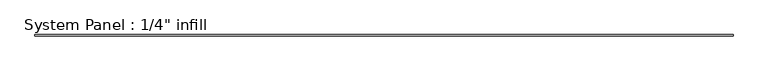
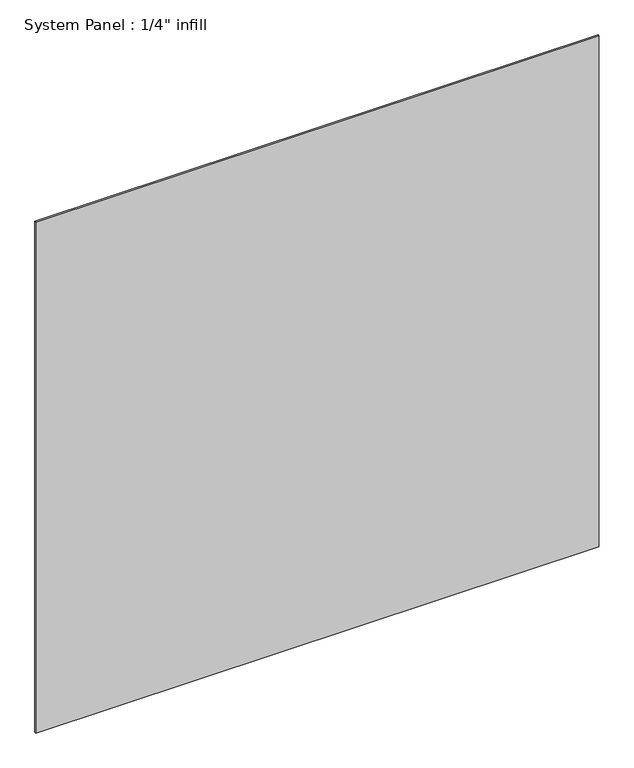
"""IFC4 building model written with IfcOpenShell, lengths in millimetres: plate geometry."""

from ifc_helpers import new_model, si_unit, origin, origin_with_axes, place, context, project, spatial, polyline, outline, extrude, source, transform, mapped, element, save


def plate_7f47d3d6(model_context):
    return source(origin(), model_context, "Body", "SweptSolid", [
        extrude(outline(polyline([(1589.1967779, -6.35), (-1589.1967779, -6.35), (-1589.1967779, 0.0), (1589.1967779, 0.0), (1589.1967779, -6.35)])), origin_with_axes(), (0.0, 0.0, 1.0), 3048.0),
    ])


if __name__ == "__main__":
    model = new_model("IFC4")
    model_context = context("Model", 3, world=origin())
    ifc_project = project(units=[si_unit("LENGTHUNIT", "METRE", prefix="MILLI")], contexts=[model_context])
    site = spatial("IfcSite", under=ifc_project)
    building = spatial("IfcBuilding", under=site)
    placement = place(None, origin())
    plate_shape = plate_7f47d3d6(model_context)
    element("IfcPlate", 1, ObjectType="System Panel : 1/4\" infill", at=placement, inside=building, context=model_context, shape_type="MappedRepresentation", body=[
        mapped(plate_shape, transform((0.0, 0.0, 0.0), x_axis=(1.0, 0.0, 0.0), y_axis=(0.0, 1.0, 0.0), z_axis=(0.0, 0.0, 1.0))),
    ])
    save(model, "model.ifc")
